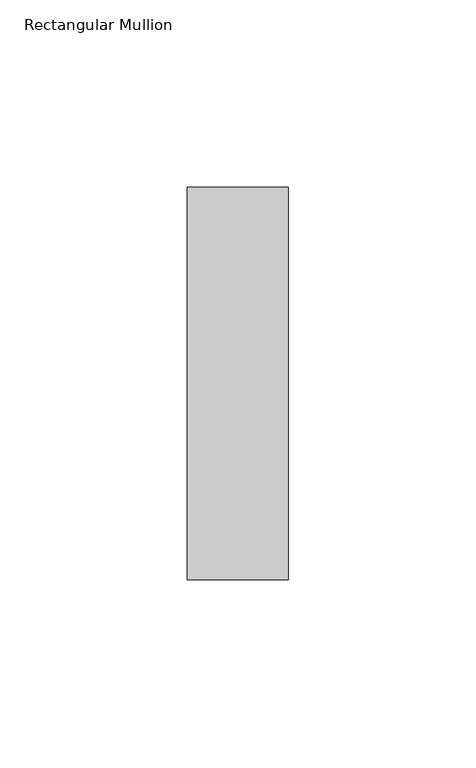
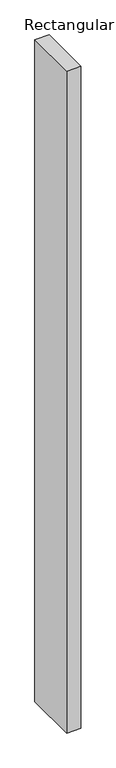
"""IFC4 building model written with IfcOpenShell, lengths in millimetres: member geometry, Rectangular Mullion."""

from ifc_helpers import new_model, si_unit, frame, origin, place, context, project, spatial, polyline, outline, extrude, source, transform, mapped, element, save


def rectangular_mullion_bfc52de0(model_context):
    return source(origin(), model_context, "Body", "SweptSolid", [
        extrude(outline(polyline([(0.0, 52.3975), (0.0, -52.3975), (-27.0, -52.3975), (-27.0, 52.3975), (0.0, 52.3975)])), frame((0.0, 0.0, -1336.0), z_axis=(0.0, 0.0, 1.0), x_axis=(1.0, 0.0, 0.0)), (0.0, 0.0, 1.0), 1336.0),
    ])


if __name__ == "__main__":
    model = new_model("IFC4")
    model_context = context("Model", 3, world=origin())
    ifc_project = project(units=[si_unit("LENGTHUNIT", "METRE", prefix="MILLI")], contexts=[model_context])
    site = spatial("IfcSite", under=ifc_project)
    building = spatial("IfcBuilding", under=site)
    placement = place(None, origin())
    rectangular_mullion_shape = rectangular_mullion_bfc52de0(model_context)
    element("IfcMember", 1, ObjectType="Rectangular Mullion", at=placement, inside=building, context=model_context, shape_type="MappedRepresentation", body=[
        mapped(rectangular_mullion_shape, transform((0.0, 0.0, 0.0), x_axis=(1.0, 0.0, 0.0), y_axis=(0.0, 1.0, 0.0), z_axis=(0.0, 0.0, 1.0))),
    ])
    save(model, "model.ifc")
